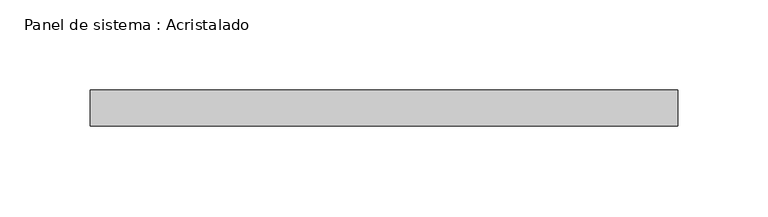
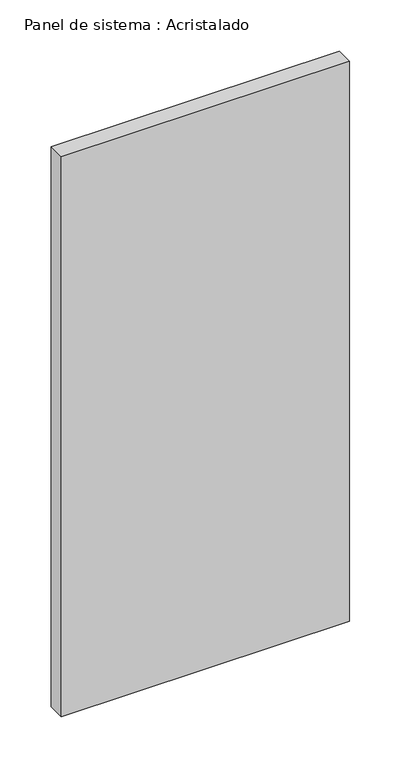
"""IFC4 building model written with IfcOpenShell, lengths in millimetres: plate geometry, Panel de sistema : Acristalado."""

from ifc_helpers import new_model, si_unit, origin, origin_with_axes, place, context, project, spatial, polyline, outline, extrude, source, transform, mapped, element, save


def panel_de_sistema_acristalado_5f6f2c19(model_context):
    return source(origin(), model_context, "Body", "SweptSolid", [
        extrude(outline(polyline([(162.5, -10.0), (-162.5, -10.0), (-162.5, 10.0), (162.5, 10.0), (162.5, -10.0)])), origin_with_axes(), (0.0, 0.0, 1.0), 667.1037779),
    ])


if __name__ == "__main__":
    model = new_model("IFC4")
    model_context = context("Model", 3, world=origin())
    ifc_project = project(units=[si_unit("LENGTHUNIT", "METRE", prefix="MILLI")], contexts=[model_context])
    site = spatial("IfcSite", under=ifc_project)
    building = spatial("IfcBuilding", under=site)
    placement = place(None, origin())
    panel_de_sistema_acristalado_shape = panel_de_sistema_acristalado_5f6f2c19(model_context)
    element("IfcPlate", 1, ObjectType="Panel de sistema : Acristalado", at=placement, inside=building, context=model_context, shape_type="MappedRepresentation", body=[
        mapped(panel_de_sistema_acristalado_shape, transform((0.0, 0.0, 0.0), x_axis=(1.0, 0.0, 0.0), y_axis=(0.0, 1.0, 0.0), z_axis=(0.0, 0.0, 1.0))),
    ])
    save(model, "model.ifc")
